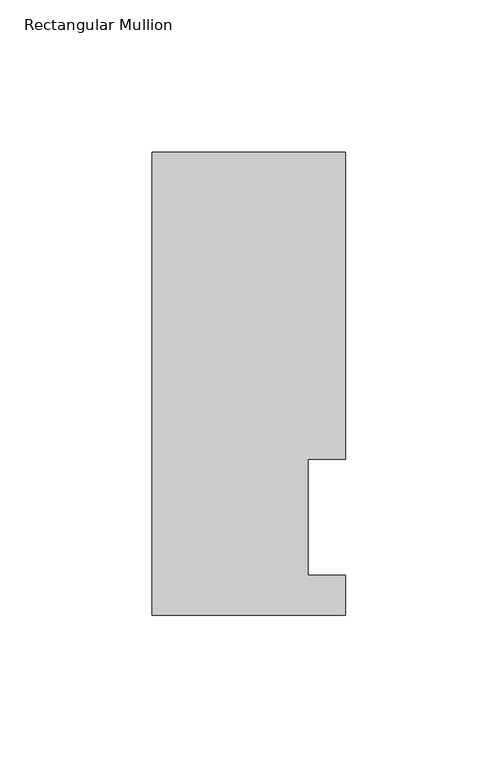
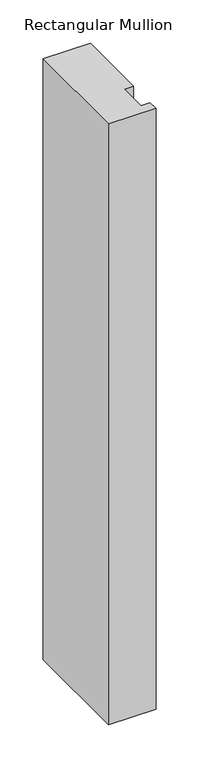
"""IFC4 building model written with IfcOpenShell, lengths in millimetres: member geometry, Rectangular Mullion."""

from ifc_helpers import new_model, si_unit, frame, origin, place, context, project, spatial, polyline, outline, extrude, source, transform, mapped, element, save


def rectangular_mullion_cbb4e08c(model_context):
    return source(origin(), model_context, "Body", "SweptSolid", [
        extrude(outline(polyline([(-63.5, 152.3785687), (0.0, 152.3785687), (0.0, 51.6929688), (-12.3418395, 51.6929688), (-12.3418395, 13.5929687), (0.0, 13.5929687), (0.0, 0.4103687), (-63.5, 0.4103687), (-63.5, 152.3785687)])), frame((0.0, 0.0, -850.9), z_axis=(0.0, 0.0, 1.0), x_axis=(1.0, 0.0, 0.0)), (0.0, 0.0, 1.0), 850.9),
    ])


if __name__ == "__main__":
    model = new_model("IFC4")
    model_context = context("Model", 3, world=origin())
    ifc_project = project(units=[si_unit("LENGTHUNIT", "METRE", prefix="MILLI")], contexts=[model_context])
    site = spatial("IfcSite", under=ifc_project)
    building = spatial("IfcBuilding", under=site)
    placement = place(None, origin())
    rectangular_mullion_shape = rectangular_mullion_cbb4e08c(model_context)
    element("IfcMember", 1, ObjectType="Rectangular Mullion", at=placement, inside=building, context=model_context, shape_type="MappedRepresentation", body=[
        mapped(rectangular_mullion_shape, transform((0.0, 0.0, 0.0), x_axis=(1.0, 0.0, 0.0), y_axis=(0.0, 1.0, 0.0), z_axis=(0.0, 0.0, 1.0))),
    ])
    save(model, "model.ifc")
